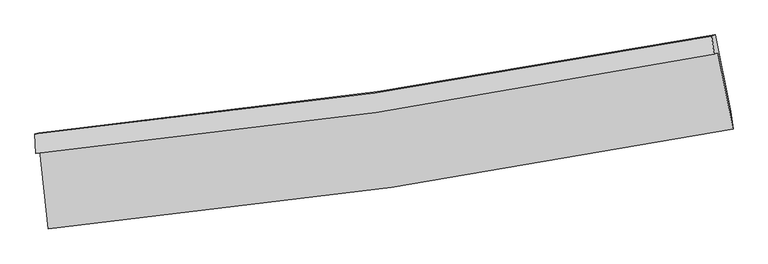
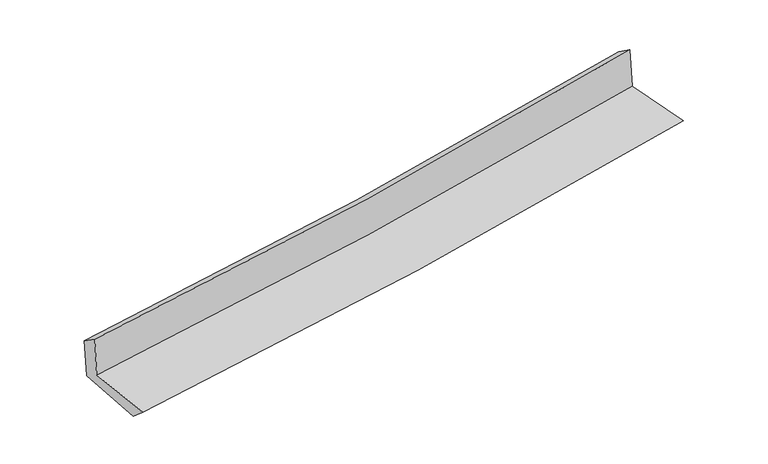
"""IFC4 building model written with IfcOpenShell, lengths in millimetres: proxy geometry."""

from ifc_helpers import new_model, si_unit, frame, origin, place, context, project, spatial, source, transform, mapped, element, save
from ifc_brep_helpers import plane_surface, spline_curve, spline_surface, advanced_brep


def generic_models_5f61e426(model_context):
    return source(origin(), model_context, "Body", "AdvancedBrep", [
        advanced_brep(
        [(-2920.216916, -1898.8327283, 1647.3079219), (-2847.9271777, -2567.2846266, 1635.9856104), (2998.3528354, -1714.6214801, 2125.4636266), (2868.8815359, -1060.1876919, 2136.7261984), (-2951.7598125, -1922.3814072, 2048.5798092), (2836.3751644, -1073.4982447, 2536.477991), (-2959.7981075, -1756.303047, 1934.4809069), (2815.5813163, -919.5347552, 2429.1052451), (-2928.2070041, -1745.2351453, 1548.3332574), (2847.7051724, -908.3113615, 2038.3716237), (-2853.5521699, -2408.6379329, 1502.7951648), (2979.3869225, -1563.2556442, 2003.0891877)],
        [
            (0, 1),
            (1, 2, spline_curve(3, [(-2847.9271777, -2567.2846266, 1635.9856104), (-1867.839827046, -2472.339294046, 1718.340968528), (-891.170754933, -2353.921720282, 1800.261384739), (1057.605244679, -2069.810505379, 1963.422758923), (2029.696176715, -1904.007030035, 2044.661681217), (2998.3528354, -1714.6214801, 2125.4636266)], [4, 2, 4], [0.0, 9.669012487335932, 19.36062071016315])),
            (2, 3),
            (3, 0, spline_curve(3, [(2868.8815359, -1060.1876919, 2136.7261984), (1909.440579016, -1245.056828996, 2054.294598111), (946.728379341, -1407.433829006, 1972.246789211), (-982.986340571, -1686.877417031, 1809.109151148), (-1949.973624668, -1804.04876254, 1728.017534817), (-2920.216916, -1898.8327283, 1647.3079219)], [4, 2, 4], [0.0, 9.691608222827218, 19.36062071016315])),
            (4, 0),
            (3, 5),
            (5, 4, spline_curve(3, [(2836.3751644, -1073.4982447, 2536.477991), (1878.21506037, -1263.256931605, 2448.660736794), (916.22301652, -1428.931022812, 2364.050213884), (-1013.173156325, -1711.779902916, 2201.432421764), (-1980.559438396, -1829.066865599, 2123.410217582), (-2951.7598125, -1922.3814072, 2048.5798092)], [4, 2, 4], [0.0, 9.64408150822757, 19.265678088277475])),
            (6, 4),
            (5, 7),
            (7, 6, spline_curve(3, [(2815.5813163, -919.5347552, 2429.1052451), (1858.521128836, -1104.065403583, 2344.59494354), (898.143846949, -1266.116595922, 2261.074145382), (-1026.998076879, -1544.934661561, 2096.203974411), (-1991.747269771, -1661.806233056, 2014.849993499), (-2959.7981075, -1756.303047, 1934.4809069)], [4, 2, 4], [0.0, 9.633118143019086, 19.24377691866473])),
            (8, 6),
            (7, 9),
            (9, 8, spline_curve(3, [(2847.7051724, -908.3113615, 2038.3716237), (1890.409464086, -1092.920413097, 1956.414639532), (929.87005953, -1255.023749544, 1874.552066664), (-995.4491068, -1533.89352339, 1711.206384502), (-1960.213761021, -1650.764781671, 1629.722834957), (-2928.2070041, -1745.2351453, 1548.3332574)], [4, 2, 4], [0.0, 9.621712661726072, 19.220992547665205])),
            (10, 8),
            (9, 11),
            (11, 10, spline_curve(3, [(2979.3869225, -1563.2556442, 2003.0891877), (2012.55205334, -1749.732769413, 1921.188017372), (1042.485292615, -1913.475574028, 1838.496684704), (-901.842790623, -2195.163784716, 1671.728330056), (-1876.089060803, -2313.215076545, 1587.654988408), (-2853.5521699, -2408.6379329, 1502.7951648)], [4, 2, 4], [0.0, 9.669742933156138, 19.316941109181908])),
            (1, 10),
            (11, 2),
        ],
        [
            spline_surface(3, 3, [[(-2920.216916, -1898.8327283, 1647.3079219), (-1949.973624765, -1804.048762444, 1728.017534706), (-982.986340529, -1686.877417043, 1809.109151175), (946.728379299, -1407.433828994, 1972.246789183), (1909.440579019, -1245.056828926, 2054.294598173), (2868.8815359, -1060.1876919, 2136.7261984)], [(-2896.120336589, -2121.650027728, 1643.533818075), (-1922.595692227, -2026.812272957, 1724.792012673), (-952.381145314, -1909.225518149, 1806.159895727), (983.687334425, -1628.22605444, 1969.305445722), (1949.525778274, -1464.706895987, 2051.083625867), (2912.038635728, -1278.33228795, 2132.972007795)], [(-2872.023757111, -2344.467327172, 1639.759714225), (-1895.217759623, -2249.575783487, 1721.566490616), (-921.775950123, -2131.573619238, 1803.210640295), (1020.646289527, -1849.018279871, 1966.364102276), (1989.610977545, -1684.356963098, 2047.872653575), (2955.195735572, -1496.47688405, 2129.217817205)], [(-2847.9271777, -2567.2846266, 1635.9856104), (-1867.839827084, -2472.339294, 1718.340968583), (-891.170754908, -2353.921720344, 1800.261384846), (1057.605244654, -2069.810505317, 1963.422758814), (2029.6961768, -1904.007030159, 2044.661681269), (2998.3528354, -1714.6214801, 2125.4636266)]], [4, 4], [4, 2, 4], [0.0, 2.206194504334597], [0.0, 9.669012487335932, 19.36062071016315]),
            spline_surface(3, 3, [[(-2951.7598125, -1922.3814072, 2048.5798092), (-1980.559438281, -1829.066865567, 2123.410217515), (-1013.173156359, -1711.779902795, 2201.432421886), (916.223016554, -1428.931022934, 2364.050213762), (1878.215060321, -1263.256931551, 2448.660736653), (2836.3751644, -1073.4982447, 2536.477991)], [(-2941.245513674, -1914.531847586, 1914.822513444), (-1970.364167117, -1820.727497878, 1991.612656589), (-1003.11088443, -1703.479074194, 2070.657998327), (926.391470788, -1421.765291604, 2233.449072247), (1888.62356658, -1257.190230702, 2317.205357188), (2847.210621593, -1069.061393792, 2403.227393496)], [(-2930.731214826, -1906.682287914, 1781.065217656), (-1960.168895929, -1812.388130133, 1859.815095632), (-993.048612458, -1695.178245643, 1939.883574734), (936.559925065, -1414.599560324, 2102.847930698), (1899.032072761, -1251.123529775, 2185.749977637), (2858.046078707, -1064.624542808, 2269.976795904)], [(-2920.216916, -1898.8327283, 1647.3079219), (-1949.973624765, -1804.048762444, 1728.017534706), (-982.986340529, -1686.877417043, 1809.109151175), (946.728379299, -1407.433828994, 1972.246789183), (1909.440579019, -1245.056828926, 2054.294598173), (2868.8815359, -1060.1876919, 2136.7261984)]], [4, 4], [4, 2, 4], [0.0, 1.292385083065278], [0.0, 9.621596580049905, 19.265678088277475]),
            spline_surface(3, 3, [[(-2959.7981075, -1756.303047, 1934.4809069), (-1991.747269698, -1661.806232941, 2014.84999342), (-1026.99807696, -1544.934661531, 2096.203974515), (898.143847031, -1266.116595952, 2261.074145278), (1858.521128931, -1104.065403427, 2344.594943609), (2815.5813163, -919.5347552, 2429.1052451)], [(-2957.118675829, -1811.66250038, 1972.513874315), (-1988.017992554, -1717.55977713, 2051.036734766), (-1022.389770098, -1600.549741963, 2131.280123649), (904.170236868, -1320.388071624, 2295.39950145), (1865.085772723, -1157.129246108, 2379.283541288), (2822.512598995, -970.85591834, 2464.896160397)], [(-2954.439244171, -1867.02195382, 2010.546841785), (-1984.288715425, -1773.313321378, 2087.223476168), (-1017.781463222, -1656.164822362, 2166.356272752), (910.196626718, -1374.659547262, 2329.72485759), (1871.65041653, -1210.193088869, 2413.972138974), (2829.443881705, -1022.17708156, 2500.687075703)], [(-2951.7598125, -1922.3814072, 2048.5798092), (-1980.559438281, -1829.066865567, 2123.410217515), (-1013.173156359, -1711.779902795, 2201.432421886), (916.223016554, -1428.931022934, 2364.050213762), (1878.215060321, -1263.256931551, 2448.660736653), (2836.3751644, -1073.4982447, 2536.477991)]], [4, 4], [4, 2, 4], [0.0, 0.6417265977238079], [0.0, 9.610658775645643, 19.24377691866473]),
            spline_surface(3, 3, [[(-2928.2070041, -1745.2351453, 1548.3332574), (-1960.213761079, -1650.764781657, 1629.72283505), (-995.44910684, -1533.893523439, 1711.206384387), (929.87005957, -1255.023749495, 1874.55206678), (1890.409464126, -1092.920413116, 1956.414639511), (2847.7051724, -908.3113615, 2038.3716237)], [(-2938.737371883, -1748.924445869, 1677.049140572), (-1970.724930602, -1654.44526542, 1758.098554511), (-1005.965430195, -1537.573902801, 1839.538914422), (919.294655408, -1258.721364979, 2003.392759605), (1879.78001904, -1096.63540989, 2085.808074187), (2836.997220346, -912.052492738, 2168.616164143)], [(-2949.267739717, -1752.613746431, 1805.765023728), (-1981.236100175, -1658.125749178, 1886.474273958), (-1016.481753605, -1541.254282169, 1967.87144448), (908.719251193, -1262.418980469, 2132.233452453), (1869.150574016, -1100.350406652, 2215.201508934), (2826.289268354, -915.793623962, 2298.860704657)], [(-2959.7981075, -1756.303047, 1934.4809069), (-1991.747269698, -1661.806232941, 2014.84999342), (-1026.99807696, -1544.934661531, 2096.203974515), (898.143847031, -1266.116595952, 2261.074145278), (1858.521128931, -1104.065403427, 2344.594943609), (2815.5813163, -919.5347552, 2429.1052451)]], [4, 4], [4, 2, 4], [0.0, 1.2703904157101324], [0.0, 9.599279885939133, 19.220992547665205]),
            spline_surface(3, 3, [[(-2853.5521699, -2408.6379329, 1502.7951648), (-1876.089060876, -2313.215076398, 1587.654988486), (-901.842790688, -2195.163784782, 1671.728330131), (1042.485292681, -1913.475573961, 1838.496684629), (2012.552053306, -1749.732769297, 1921.188017269), (2979.3869225, -1563.2556442, 2003.0891877)], [(-2878.437114636, -2187.503670389, 1517.974529009), (-1904.130627613, -2092.398311506, 1601.677604016), (-933.044896068, -1974.740364323, 1684.887681529), (1004.946881648, -1693.991632462, 1850.515145325), (1971.837856935, -1530.795317233, 1932.9302247), (2935.493005822, -1344.940883297, 2014.849999717)], [(-2903.322059364, -1966.369407811, 1533.153893191), (-1932.172194342, -1871.581546549, 1615.700219519), (-964.24700146, -1754.316943897, 1698.047032989), (967.408470603, -1474.507690995, 1862.533606084), (1931.123660497, -1311.857865179, 1944.67243208), (2891.599089078, -1126.626122403, 2026.610811683)], [(-2928.2070041, -1745.2351453, 1548.3332574), (-1960.213761079, -1650.764781657, 1629.72283505), (-995.44910684, -1533.893523439, 1711.206384387), (929.87005957, -1255.023749495, 1874.55206678), (1890.409464126, -1092.920413116, 1956.414639511), (2847.7051724, -908.3113615, 2038.3716237)]], [4, 4], [4, 2, 4], [0.0, 2.1946702302474153], [0.0, 9.64719817602577, 19.316941109181908]),
            spline_surface(3, 3, [[(-2847.9271777, -2567.2846266, 1635.9856104), (-1867.839827084, -2472.339294, 1718.340968583), (-891.170754908, -2353.921720344, 1800.261384846), (1057.605244654, -2069.810505317, 1963.422758814), (2029.6961768, -1904.007030159, 2044.661681269), (2998.3528354, -1714.6214801, 2125.4636266)], [(-2849.802175089, -2514.402395349, 1591.588795186), (-1870.589571671, -2419.297888115, 1674.778975204), (-894.728100179, -2301.002408503, 1757.417033286), (1052.565260652, -2017.698861544, 1921.780734098), (2023.981468952, -1852.582276555, 2003.503793254), (2992.030864416, -1664.166201483, 2084.672146952)], [(-2851.677172511, -2461.520164151, 1547.191980014), (-1873.339316289, -2366.256482283, 1631.216981866), (-898.285445417, -2248.083096623, 1714.572681691), (1047.525276683, -1965.587217734, 1880.138709345), (2018.266761155, -1801.157522901, 1962.345905283), (2985.708893484, -1613.710922817, 2043.880667348)], [(-2853.5521699, -2408.6379329, 1502.7951648), (-1876.089060876, -2313.215076398, 1587.654988486), (-901.842790688, -2195.163784782, 1671.728330131), (1042.485292681, -1913.475573961, 1838.496684629), (2012.552053306, -1749.732769297, 1921.188017269), (2979.3869225, -1563.2556442, 2003.0891877)]], [4, 4], [4, 2, 4], [0.0, 0.6646899282277323], [0.0, 9.705987315366144, 19.434656773541292]),
            plane_surface(frame((2891.0471578, -1206.5681963, 2211.5389788), z_axis=(0.9776419156829914, 0.19193574388759777, 0.08588920140509719), x_axis=(-0.0819042065608961, -0.02861559186207312, 0.996229315393807))),
            plane_surface(frame((-2910.2435313, -2049.7791479, 1719.5804451), z_axis=(-0.9908329568632794, -0.10572929168517937, -0.08409142925008029), x_axis=(-0.1075028666275777, 0.9940621867411512, 0.016837534209442617))),
        ],
        [
            (0, [[1, 2, 3, 4]]),
            (1, [[5, -4, 6, 7]]),
            (2, [[8, -7, 9, 10]]),
            (3, [[11, -10, 12, 13]]),
            (4, [[14, -13, 15, 16]]),
            (5, [[17, -16, 18, -2]]),
            (6, [[-12, -9, -6, -3, -18, -15]]),
            (7, [[-1, -5, -8, -11, -14, -17]]),
        ],
    ),
    ])


if __name__ == "__main__":
    model = new_model("IFC4")
    model_context = context("Model", 3, world=origin())
    ifc_project = project(units=[si_unit("LENGTHUNIT", "METRE", prefix="MILLI")], contexts=[model_context])
    site = spatial("IfcSite", under=ifc_project)
    building = spatial("IfcBuilding", under=site)
    placement = place(None, origin())
    generic_models_shape = generic_models_5f61e426(model_context)
    element("IfcBuildingElementProxy", 1, Name="Generic Models", at=placement, inside=building, context=model_context, shape_type="MappedRepresentation", body=[
        mapped(generic_models_shape, transform((0.0, 0.0, 0.0), x_axis=(1.0, 0.0, 0.0), y_axis=(0.0, 1.0, 0.0), z_axis=(0.0, 0.0, 1.0))),
    ])
    save(model, "model.ifc")
